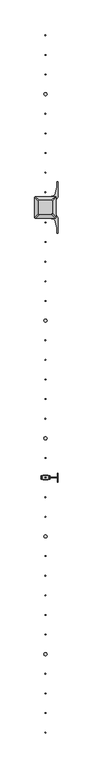
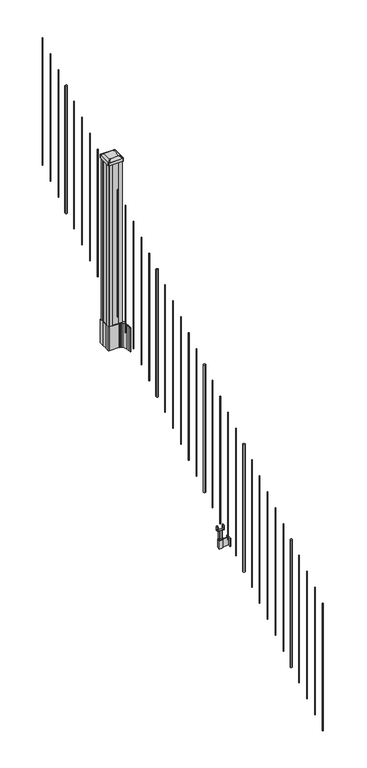
"""IFC4 building model written with IfcOpenShell, lengths in millimetres: railing geometry."""

from ifc_helpers import new_model, si_unit, point, frame, frame_2d, origin, place, context, project, spatial, polyline, circle_curve, trimmed, segment, composite_curve, outline, extrude, source, transform, mapped, element, save
from ifc_brep_helpers import plane_surface, extruded_surface, advanced_brep


def railing_b04e651e(model_context):
    return source(origin(), model_context, "Body", "SolidModel", [
        extrude(outline(composite_curve([segment(trimmed(circle_curve(frame_2d((7312.0657728, -84378.7128453)), 1.5875), [point((7310.4782728, -84378.7128453))], [point((7312.0657728, -84377.1253453))], False, "CARTESIAN"), True, "CONTINUOUS"), segment(trimmed(circle_curve(frame_2d((7312.0657728, -84378.7128453)), 1.5875), [point((7312.0657728, -84377.1253453))], [point((7313.6532728, -84378.7128453))], False, "CARTESIAN"), True, "CONTINUOUS"), segment(trimmed(circle_curve(frame_2d((7312.0657728, -84378.7128453)), 1.5875), [point((7313.6532728, -84378.7128453))], [point((7312.0657728, -84380.3003453))], False, "CARTESIAN"), True, "CONTINUOUS"), segment(trimmed(circle_curve(frame_2d((7312.0657728, -84378.7128453)), 1.5875), [point((7312.0657728, -84380.3003453))], [point((7310.4782728, -84378.7128453))], False, "CARTESIAN"), True, "CONTINUOUS")], self_intersect=False)), frame((0.0, 0.0, 2216.9396281), z_axis=(0.0, 0.0, 1.0), x_axis=(1.0, 0.0, 0.0)), (0.0, 0.0, 1.0), 812.8041219),
        extrude(outline(composite_curve([segment(trimmed(circle_curve(frame_2d((7312.0657728, -84461.2628453)), 1.5875), [point((7310.4782728, -84461.2628453))], [point((7312.0657728, -84459.6753453))], False, "CARTESIAN"), True, "CONTINUOUS"), segment(trimmed(circle_curve(frame_2d((7312.0657728, -84461.2628453)), 1.5875), [point((7312.0657728, -84459.6753453))], [point((7313.6532728, -84461.2628453))], False, "CARTESIAN"), True, "CONTINUOUS"), segment(trimmed(circle_curve(frame_2d((7312.0657728, -84461.2628453)), 1.5875), [point((7313.6532728, -84461.2628453))], [point((7312.0657728, -84462.8503453))], False, "CARTESIAN"), True, "CONTINUOUS"), segment(trimmed(circle_curve(frame_2d((7312.0657728, -84461.2628453)), 1.5875), [point((7312.0657728, -84462.8503453))], [point((7310.4782728, -84461.2628453))], False, "CARTESIAN"), True, "CONTINUOUS")], self_intersect=False)), frame((0.0, 0.0, 2165.3458781), z_axis=(0.0, 0.0, 1.0), x_axis=(1.0, 0.0, 0.0)), (0.0, 0.0, 1.0), 812.8041219),
        extrude(outline(composite_curve([segment(trimmed(circle_curve(frame_2d((7312.0657728, -84543.8128453)), 1.5875), [point((7310.4782728, -84543.8128453))], [point((7312.0657728, -84542.2253453))], False, "CARTESIAN"), True, "CONTINUOUS"), segment(trimmed(circle_curve(frame_2d((7312.0657728, -84543.8128453)), 1.5875), [point((7312.0657728, -84542.2253453))], [point((7313.6532728, -84543.8128453))], False, "CARTESIAN"), True, "CONTINUOUS"), segment(trimmed(circle_curve(frame_2d((7312.0657728, -84543.8128453)), 1.5875), [point((7313.6532728, -84543.8128453))], [point((7312.0657728, -84545.4003453))], False, "CARTESIAN"), True, "CONTINUOUS"), segment(trimmed(circle_curve(frame_2d((7312.0657728, -84543.8128453)), 1.5875), [point((7312.0657728, -84545.4003453))], [point((7310.4782728, -84543.8128453))], False, "CARTESIAN"), True, "CONTINUOUS")], self_intersect=False)), frame((0.0, 0.0, 2113.7521281), z_axis=(0.0, 0.0, 1.0), x_axis=(1.0, 0.0, 0.0)), (0.0, 0.0, 1.0), 812.8041219),
        extrude(outline(composite_curve([segment(trimmed(circle_curve(frame_2d((7312.0657728, -84626.3628453)), 6.35), [point((7305.7157728, -84626.3628453))], [point((7312.0657728, -84620.0128453))], False, "CARTESIAN"), True, "CONTINUOUS"), segment(trimmed(circle_curve(frame_2d((7312.0657728, -84626.3628453)), 6.35), [point((7312.0657728, -84620.0128453))], [point((7318.4157728, -84626.3628453))], False, "CARTESIAN"), True, "CONTINUOUS"), segment(trimmed(circle_curve(frame_2d((7312.0657728, -84626.3628453)), 6.35), [point((7318.4157728, -84626.3628453))], [point((7312.0657728, -84632.7128453))], False, "CARTESIAN"), True, "CONTINUOUS"), segment(trimmed(circle_curve(frame_2d((7312.0657728, -84626.3628453)), 6.35), [point((7312.0657728, -84632.7128453))], [point((7305.7157728, -84626.3628453))], False, "CARTESIAN"), True, "CONTINUOUS")], self_intersect=False)), frame((0.0, 0.0, 2062.1583781), z_axis=(0.0, 0.0, 1.0), x_axis=(1.0, 0.0, 0.0)), (0.0, 0.0, 1.0), 812.8041219),
        extrude(outline(composite_curve([segment(trimmed(circle_curve(frame_2d((7312.0657728, -84708.9128453)), 1.5875), [point((7310.4782728, -84708.9128453))], [point((7312.0657728, -84707.3253453))], False, "CARTESIAN"), True, "CONTINUOUS"), segment(trimmed(circle_curve(frame_2d((7312.0657728, -84708.9128453)), 1.5875), [point((7312.0657728, -84707.3253453))], [point((7313.6532728, -84708.9128453))], False, "CARTESIAN"), True, "CONTINUOUS"), segment(trimmed(circle_curve(frame_2d((7312.0657728, -84708.9128453)), 1.5875), [point((7313.6532728, -84708.9128453))], [point((7312.0657728, -84710.5003453))], False, "CARTESIAN"), True, "CONTINUOUS"), segment(trimmed(circle_curve(frame_2d((7312.0657728, -84708.9128453)), 1.5875), [point((7312.0657728, -84710.5003453))], [point((7310.4782728, -84708.9128453))], False, "CARTESIAN"), True, "CONTINUOUS")], self_intersect=False)), frame((0.0, 0.0, 2010.5646281), z_axis=(0.0, 0.0, 1.0), x_axis=(1.0, 0.0, 0.0)), (0.0, 0.0, 1.0), 812.8041219),
        extrude(outline(composite_curve([segment(trimmed(circle_curve(frame_2d((7312.0657728, -84791.4628453)), 1.5875), [point((7310.4782728, -84791.4628453))], [point((7312.0657728, -84789.8753453))], False, "CARTESIAN"), True, "CONTINUOUS"), segment(trimmed(circle_curve(frame_2d((7312.0657728, -84791.4628453)), 1.5875), [point((7312.0657728, -84789.8753453))], [point((7313.6532728, -84791.4628453))], False, "CARTESIAN"), True, "CONTINUOUS"), segment(trimmed(circle_curve(frame_2d((7312.0657728, -84791.4628453)), 1.5875), [point((7313.6532728, -84791.4628453))], [point((7312.0657728, -84793.0503453))], False, "CARTESIAN"), True, "CONTINUOUS"), segment(trimmed(circle_curve(frame_2d((7312.0657728, -84791.4628453)), 1.5875), [point((7312.0657728, -84793.0503453))], [point((7310.4782728, -84791.4628453))], False, "CARTESIAN"), True, "CONTINUOUS")], self_intersect=False)), frame((0.0, 0.0, 1958.9708781), z_axis=(0.0, 0.0, 1.0), x_axis=(1.0, 0.0, 0.0)), (0.0, 0.0, 1.0), 812.8041219),
        extrude(outline(composite_curve([segment(trimmed(circle_curve(frame_2d((7312.0657728, -84874.0128453)), 1.5875), [point((7310.4782728, -84874.0128453))], [point((7312.0657728, -84872.4253453))], False, "CARTESIAN"), True, "CONTINUOUS"), segment(trimmed(circle_curve(frame_2d((7312.0657728, -84874.0128453)), 1.5875), [point((7312.0657728, -84872.4253453))], [point((7313.6532728, -84874.0128453))], False, "CARTESIAN"), True, "CONTINUOUS"), segment(trimmed(circle_curve(frame_2d((7312.0657728, -84874.0128453)), 1.5875), [point((7313.6532728, -84874.0128453))], [point((7312.0657728, -84875.6003453))], False, "CARTESIAN"), True, "CONTINUOUS"), segment(trimmed(circle_curve(frame_2d((7312.0657728, -84874.0128453)), 1.5875), [point((7312.0657728, -84875.6003453))], [point((7310.4782728, -84874.0128453))], False, "CARTESIAN"), True, "CONTINUOUS")], self_intersect=False)), frame((0.0, 0.0, 1907.3771281), z_axis=(0.0, 0.0, 1.0), x_axis=(1.0, 0.0, 0.0)), (0.0, 0.0, 1.0), 812.8041219),
        extrude(outline(composite_curve([segment(trimmed(circle_curve(frame_2d((7312.0657728, -84956.5628453)), 1.5875), [point((7310.4782728, -84956.5628453))], [point((7312.0657728, -84954.9753453))], False, "CARTESIAN"), True, "CONTINUOUS"), segment(trimmed(circle_curve(frame_2d((7312.0657728, -84956.5628453)), 1.5875), [point((7312.0657728, -84954.9753453))], [point((7313.6532728, -84956.5628453))], False, "CARTESIAN"), True, "CONTINUOUS"), segment(trimmed(circle_curve(frame_2d((7312.0657728, -84956.5628453)), 1.5875), [point((7313.6532728, -84956.5628453))], [point((7312.0657728, -84958.1503453))], False, "CARTESIAN"), True, "CONTINUOUS"), segment(trimmed(circle_curve(frame_2d((7312.0657728, -84956.5628453)), 1.5875), [point((7312.0657728, -84958.1503453))], [point((7310.4782728, -84956.5628453))], False, "CARTESIAN"), True, "CONTINUOUS")], self_intersect=False)), frame((0.0, 0.0, 1855.7833781), z_axis=(0.0, 0.0, 1.0), x_axis=(1.0, 0.0, 0.0)), (0.0, 0.0, 1.0), 812.8041219),
        extrude(outline(composite_curve([segment(trimmed(circle_curve(frame_2d((7312.0657728, -85039.1128453)), 1.5875), [point((7310.4782728, -85039.1128453))], [point((7312.0657728, -85037.5253453))], False, "CARTESIAN"), True, "CONTINUOUS"), segment(trimmed(circle_curve(frame_2d((7312.0657728, -85039.1128453)), 1.5875), [point((7312.0657728, -85037.5253453))], [point((7313.6532728, -85039.1128453))], False, "CARTESIAN"), True, "CONTINUOUS"), segment(trimmed(circle_curve(frame_2d((7312.0657728, -85039.1128453)), 1.5875), [point((7313.6532728, -85039.1128453))], [point((7312.0657728, -85040.7003453))], False, "CARTESIAN"), True, "CONTINUOUS"), segment(trimmed(circle_curve(frame_2d((7312.0657728, -85039.1128453)), 1.5875), [point((7312.0657728, -85040.7003453))], [point((7310.4782728, -85039.1128453))], False, "CARTESIAN"), True, "CONTINUOUS")], self_intersect=False)), frame((0.0, 0.0, 1804.1896281), z_axis=(0.0, 0.0, 1.0), x_axis=(1.0, 0.0, 0.0)), (0.0, 0.0, 1.0), 812.8041219),
        extrude(outline(composite_curve([segment(polyline([(7269.3302728, -85119.9989401), (7269.3302728, -85085.2267504), (7267.7427728, -85084.4647504), (7267.7427728, -85061.6628224), (7271.1157498, -85058.2898453), (7332.5754206, -85058.2898453), (7332.5754206, -85057.3690953), (7337.8929645, -85057.3690953), (7337.8929645, -85055.9148406), (7342.9774942, -85055.9148406), (7342.9774942, -85054.6308168), (7344.6447665, -85054.6308168)]), True, "CONTINUOUS"), segment(trimmed(circle_curve(frame_2d((7344.6447665, -85047.5713569)), 7.0594599), [point((7344.6447665, -85054.6308168))], [point((7351.4120293, -85049.5813636))], True, "CARTESIAN"), True, "CONTINUOUS"), segment(polyline([(7351.4120293, -85049.5813636), (7359.2862236, -85023.0706345)]), True, "CONTINUOUS"), segment(trimmed(circle_curve(frame_2d((7304.5017103, -85006.7985848)), 57.15), [point((7359.2862236, -85023.0706345))], [point((7361.6517103, -85006.7985848))], True, "CARTESIAN"), True, "CONTINUOUS"), segment(polyline([(7361.6517103, -85006.7985848), (7361.6517103, -84994.7898453), (7364.6517103, -84994.7898453), (7364.6517103, -85059.8773453), (7356.3887728, -85071.2156366), (7356.3887728, -85084.4647504), (7354.8012728, -85085.2267504), (7354.8012728, -85119.9989401), (7356.3887728, -85120.7609401), (7356.3887728, -85134.010054), (7364.6517103, -85145.3483453), (7364.6517103, -85210.4358453), (7361.6517103, -85210.4358453), (7361.6517103, -85198.4271057)]), True, "CONTINUOUS"), segment(trimmed(circle_curve(frame_2d((7304.5017103, -85198.4271057)), 57.15), [point((7361.6517103, -85198.4271057))], [point((7359.2862236, -85182.1550561))], True, "CARTESIAN"), True, "CONTINUOUS"), segment(polyline([(7359.2862236, -85182.1550561), (7351.4120293, -85155.644327)]), True, "CONTINUOUS"), segment(trimmed(circle_curve(frame_2d((7344.6447665, -85157.6543337)), 7.0594599), [point((7351.4120293, -85155.644327))], [point((7344.6447665, -85150.5948738))], True, "CARTESIAN"), True, "CONTINUOUS"), segment(polyline([(7344.6447665, -85150.5948738), (7342.9774942, -85150.5948738), (7342.9774942, -85149.31085), (7337.8929645, -85149.31085), (7337.8929645, -85147.8565953), (7332.5754206, -85147.8565953), (7332.5754206, -85146.9358453), (7271.1157498, -85146.9358453), (7267.7427728, -85143.5628682), (7267.7427728, -85120.7609401), (7269.3302728, -85119.9989401)]), True, "CONTINUOUS")], self_intersect=False), holes=[polyline([(7353.3407728, -85062.9253453), (7351.7532728, -85061.3378453), (7314.8289902, -85061.3378453), (7272.3782728, -85061.3378453), (7270.7907728, -85062.9253453), (7270.7907728, -85142.3003453), (7272.3782728, -85143.8878453), (7314.8289902, -85143.8878453), (7351.7532728, -85143.8878453), (7353.3407728, -85142.3003453), (7353.3407728, -85062.9253453)])]), frame((0.0, 0.0, 1510.50625), z_axis=(0.0, 0.0, 1.0), x_axis=(1.0, 0.0, 0.0)), (0.0, 0.0, 1.0), 152.4),
        advanced_brep(
        [(7337.8626478, -85131.5847203, 2722.845513), (7341.0376478, -85128.4097203, 2722.845513), (7341.0376478, -85076.8159703, 2722.845513), (7337.8626478, -85073.6409703, 2722.845513), (7286.2688978, -85073.6409703, 2722.845513), (7283.0938978, -85076.8159703, 2722.845513), (7283.0938978, -85128.4097203, 2722.845513), (7286.2688978, -85131.5847203, 2722.845513), (7354.1345228, -85147.8565953, 2711.542513), (7269.9970228, -85147.8565953, 2711.542513), (7266.8220228, -85144.6815953, 2711.542513), (7266.8220228, -85060.5440953, 2711.542513), (7269.9970228, -85057.3690953, 2711.542513), (7354.1345228, -85057.3690953, 2711.542513), (7357.3095228, -85060.5440953, 2711.542513), (7357.3095228, -85144.6815953, 2711.542513)],
        [
            (0, 1, circle_curve(frame((7337.8626478, -85128.4097203, 2722.845513), z_axis=(0.0, 0.0, 1.0), x_axis=(0.0, 1.0, 0.0)), 3.175)),
            (1, 2),
            (2, 3, circle_curve(frame((7337.8626478, -85076.8159703, 2722.845513), z_axis=(0.0, 0.0, 1.0), x_axis=(0.0, 1.0, 0.0)), 3.175)),
            (3, 4),
            (4, 5, circle_curve(frame((7286.2688978, -85076.8159703, 2722.845513), z_axis=(0.0, 0.0, 1.0), x_axis=(0.0, 1.0, 0.0)), 3.175)),
            (5, 6),
            (6, 7, circle_curve(frame((7286.2688978, -85128.4097203, 2722.845513), z_axis=(0.0, 0.0, 1.0), x_axis=(0.0, 1.0, 0.0)), 3.175)),
            (7, 0),
            (8, 9),
            (9, 10, circle_curve(frame((7269.9970228, -85144.6815953, 2711.542513), z_axis=(0.0, 0.0, -1.0), x_axis=(0.0, 1.0, 0.0)), 3.175)),
            (10, 11),
            (11, 12, circle_curve(frame((7269.9970228, -85060.5440953, 2711.542513), z_axis=(0.0, 0.0, -1.0), x_axis=(0.0, 1.0, 0.0)), 3.175)),
            (12, 13),
            (13, 14, circle_curve(frame((7354.1345228, -85060.5440953, 2711.542513), z_axis=(0.0, 0.0, -1.0), x_axis=(0.0, 1.0, 0.0)), 3.175)),
            (14, 15),
            (15, 8, circle_curve(frame((7354.1345228, -85144.6815953, 2711.542513), z_axis=(0.0, 0.0, -1.0), x_axis=(0.0, 1.0, 0.0)), 3.175)),
            (15, 1),
            (0, 8),
            (14, 2),
            (13, 3),
            (12, 4),
            (11, 5),
            (10, 6),
            (9, 7),
        ],
        [
            plane_surface(frame((7312.0657728, -85102.6128453, 2722.845513), z_axis=(0.0, 0.0, 1.0), x_axis=(1.0, 0.0, 0.0))),
            plane_surface(frame((7312.0657728, -85102.6128453, 2711.542513), z_axis=(0.0, 0.0, -1.0), x_axis=(1.0, 0.0, 0.0))),
            extruded_surface(trimmed(circle_curve(frame((7354.1345228, -85144.6815953, 2711.542513), z_axis=(0.0, 0.0, 1.0), x_axis=(0.0, 1.0, 0.0)), 3.175), [point((7354.1345228, -85147.8565953, 2711.542513))], [point((7357.3095228, -85144.6815953, 2711.542513))], True, "CARTESIAN"), (-16.271875000000364, 16.27187500000582, 11.303000000000338), 25.637972638870238),
            plane_surface(frame((7357.3095228, -85102.6128453, 2711.542513), z_axis=(0.5705009161540778, 0.0, 0.8212969649690408), x_axis=(0.0, 1.0, 0.0))),
            extruded_surface(trimmed(circle_curve(frame((7354.1345228, -85060.5440953, 2711.542513), z_axis=(0.0, 0.0, 1.0), x_axis=(0.0, 1.0, 0.0)), 3.175), [point((7357.3095228, -85060.5440953, 2711.542513))], [point((7354.1345228, -85057.3690953, 2711.542513))], True, "CARTESIAN"), (-16.271875000000364, -16.27187499999127, 11.303000000000338), 25.637972638861),
            plane_surface(frame((7312.0657728, -85057.3690953, 2711.542513), z_axis=(0.0, 0.5705009161540291, 0.8212969649690747), x_axis=(-1.0, 0.0, 0.0))),
            extruded_surface(trimmed(circle_curve(frame((7269.9970228, -85060.5440953, 2711.542513), z_axis=(0.0, 0.0, 1.0), x_axis=(0.0, 1.0, 0.0)), 3.175), [point((7269.9970228, -85057.3690953, 2711.542513))], [point((7266.8220228, -85060.5440953, 2711.542513))], True, "CARTESIAN"), (16.271874999999454, -16.27187499999127, 11.303000000000338), 25.637972638860422),
            plane_surface(frame((7266.8220228, -85102.6128453, 2711.542513), z_axis=(-0.5705009161540142, 0.0, 0.8212969649690851), x_axis=(0.0, -1.0, 0.0))),
            extruded_surface(trimmed(circle_curve(frame((7269.9970228, -85144.6815953, 2711.542513), z_axis=(0.0, 0.0, 1.0), x_axis=(0.0, 1.0, 0.0)), 3.175), [point((7266.8220228, -85144.6815953, 2711.542513))], [point((7269.9970228, -85147.8565953, 2711.542513))], True, "CARTESIAN"), (16.271874999999454, 16.27187500000582, 11.303000000000338), 25.63797263886966),
            plane_surface(frame((7312.0657728, -85147.8565953, 2711.542513), z_axis=(0.0, -0.570500916154034, 0.8212969649690713), x_axis=(1.0, 0.0, 0.0))),
        ],
        [
            (0, [[1, 2, 3, 4, 5, 6, 7, 8]]),
            (1, [[9, 10, 11, 12, 13, 14, 15, 16]]),
            (2, [[-16, 17, -1, 18]]),
            (3, [[-15, 19, -2, -17]]),
            (4, [[-14, 20, -3, -19]]),
            (5, [[-13, 21, -4, -20]]),
            (6, [[-12, 22, -5, -21]]),
            (7, [[-11, 23, -6, -22]]),
            (8, [[-10, 24, -7, -23]]),
            (9, [[-9, -18, -8, -24]]),
        ],
    ),
        extrude(outline(composite_curve([segment(polyline([(7354.1345228, -85147.8565953), (7269.9970228, -85147.8565953)]), True, "CONTINUOUS"), segment(trimmed(circle_curve(frame_2d((7269.9970228, -85144.6815953)), 3.175), [point((7269.9970228, -85147.8565953))], [point((7266.8220228, -85144.6815953))], False, "CARTESIAN"), True, "CONTINUOUS"), segment(polyline([(7266.8220228, -85144.6815953), (7266.8220228, -85060.5440953)]), True, "CONTINUOUS"), segment(trimmed(circle_curve(frame_2d((7269.9970228, -85060.5440953)), 3.175), [point((7266.8220228, -85060.5440953))], [point((7269.9970228, -85057.3690953))], False, "CARTESIAN"), True, "CONTINUOUS"), segment(polyline([(7269.9970228, -85057.3690953), (7354.1345228, -85057.3690953)]), True, "CONTINUOUS"), segment(trimmed(circle_curve(frame_2d((7354.1345228, -85060.5440953)), 3.175), [point((7354.1345228, -85057.3690953))], [point((7357.3095228, -85060.5440953))], False, "CARTESIAN"), True, "CONTINUOUS"), segment(polyline([(7357.3095228, -85060.5440953), (7357.3095228, -85144.6815953)]), True, "CONTINUOUS"), segment(trimmed(circle_curve(frame_2d((7354.1345228, -85144.6815953)), 3.175), [point((7357.3095228, -85144.6815953))], [point((7354.1345228, -85147.8565953))], False, "CARTESIAN"), True, "CONTINUOUS")], self_intersect=False)), frame((0.0, 0.0, 2694.270513), z_axis=(0.0, 0.0, 1.0), x_axis=(1.0, 0.0, 0.0)), (0.0, 0.0, 1.0), 17.272),
        extrude(outline(polyline([(7351.7532728, -85143.8878453), (7332.1317728, -85143.8878453), (7331.3697728, -85142.3003453), (7292.7617728, -85142.3003453), (7291.9997728, -85143.8878453), (7272.3782728, -85143.8878453), (7270.7907728, -85142.3003453), (7270.7907728, -85122.6788453), (7272.3782728, -85121.9168453), (7272.3782728, -85083.3088453), (7270.7907728, -85082.5468453), (7270.7907728, -85062.9253453), (7272.3782728, -85061.3378453), (7291.9997728, -85061.3378453), (7292.7617728, -85062.9253453), (7331.3697728, -85062.9253453), (7332.1317728, -85061.3378453), (7351.7532728, -85061.3378453), (7353.3407728, -85062.9253453), (7353.3407728, -85082.5468453), (7351.7532728, -85083.3088453), (7351.7532728, -85121.9168453), (7353.3407728, -85122.6788453), (7353.3407728, -85142.3003453), (7351.7532728, -85143.8878453)])), frame((0.0, 0.0, 1662.90625), z_axis=(0.0, 0.0, 1.0), x_axis=(1.0, 0.0, 0.0)), (0.0, 0.0, 1.0), 1031.364263),
        extrude(outline(composite_curve([segment(trimmed(circle_curve(frame_2d((7312.0657728, -85166.1128453)), 1.5875), [point((7310.4782728, -85166.1128453))], [point((7312.0657728, -85164.5253453))], False, "CARTESIAN"), True, "CONTINUOUS"), segment(trimmed(circle_curve(frame_2d((7312.0657728, -85166.1128453)), 1.5875), [point((7312.0657728, -85164.5253453))], [point((7313.6532728, -85166.1128453))], False, "CARTESIAN"), True, "CONTINUOUS"), segment(trimmed(circle_curve(frame_2d((7312.0657728, -85166.1128453)), 1.5875), [point((7313.6532728, -85166.1128453))], [point((7312.0657728, -85167.7003453))], False, "CARTESIAN"), True, "CONTINUOUS"), segment(trimmed(circle_curve(frame_2d((7312.0657728, -85166.1128453)), 1.5875), [point((7312.0657728, -85167.7003453))], [point((7310.4782728, -85166.1128453))], False, "CARTESIAN"), True, "CONTINUOUS")], self_intersect=False)), frame((0.0, 0.0, 1724.8146281), z_axis=(0.0, 0.0, 1.0), x_axis=(1.0, 0.0, 0.0)), (0.0, 0.0, 1.0), 812.8041219),
        extrude(outline(composite_curve([segment(trimmed(circle_curve(frame_2d((7312.0657728, -85248.6628453)), 1.5875), [point((7310.4782728, -85248.6628453))], [point((7312.0657728, -85247.0753453))], False, "CARTESIAN"), True, "CONTINUOUS"), segment(trimmed(circle_curve(frame_2d((7312.0657728, -85248.6628453)), 1.5875), [point((7312.0657728, -85247.0753453))], [point((7313.6532728, -85248.6628453))], False, "CARTESIAN"), True, "CONTINUOUS"), segment(trimmed(circle_curve(frame_2d((7312.0657728, -85248.6628453)), 1.5875), [point((7313.6532728, -85248.6628453))], [point((7312.0657728, -85250.2503453))], False, "CARTESIAN"), True, "CONTINUOUS"), segment(trimmed(circle_curve(frame_2d((7312.0657728, -85248.6628453)), 1.5875), [point((7312.0657728, -85250.2503453))], [point((7310.4782728, -85248.6628453))], False, "CARTESIAN"), True, "CONTINUOUS")], self_intersect=False)), frame((0.0, 0.0, 1673.2208781), z_axis=(0.0, 0.0, 1.0), x_axis=(1.0, 0.0, 0.0)), (0.0, 0.0, 1.0), 812.8041219),
        extrude(outline(composite_curve([segment(trimmed(circle_curve(frame_2d((7312.0657728, -85331.2128453)), 1.5875), [point((7310.4782728, -85331.2128453))], [point((7312.0657728, -85329.6253453))], False, "CARTESIAN"), True, "CONTINUOUS"), segment(trimmed(circle_curve(frame_2d((7312.0657728, -85331.2128453)), 1.5875), [point((7312.0657728, -85329.6253453))], [point((7313.6532728, -85331.2128453))], False, "CARTESIAN"), True, "CONTINUOUS"), segment(trimmed(circle_curve(frame_2d((7312.0657728, -85331.2128453)), 1.5875), [point((7313.6532728, -85331.2128453))], [point((7312.0657728, -85332.8003453))], False, "CARTESIAN"), True, "CONTINUOUS"), segment(trimmed(circle_curve(frame_2d((7312.0657728, -85331.2128453)), 1.5875), [point((7312.0657728, -85332.8003453))], [point((7310.4782728, -85331.2128453))], False, "CARTESIAN"), True, "CONTINUOUS")], self_intersect=False)), frame((0.0, 0.0, 1621.6271281), z_axis=(0.0, 0.0, 1.0), x_axis=(1.0, 0.0, 0.0)), (0.0, 0.0, 1.0), 812.8041219),
        extrude(outline(composite_curve([segment(trimmed(circle_curve(frame_2d((7312.0657728, -85413.7628453)), 1.5875), [point((7310.4782728, -85413.7628453))], [point((7312.0657728, -85412.1753453))], False, "CARTESIAN"), True, "CONTINUOUS"), segment(trimmed(circle_curve(frame_2d((7312.0657728, -85413.7628453)), 1.5875), [point((7312.0657728, -85412.1753453))], [point((7313.6532728, -85413.7628453))], False, "CARTESIAN"), True, "CONTINUOUS"), segment(trimmed(circle_curve(frame_2d((7312.0657728, -85413.7628453)), 1.5875), [point((7313.6532728, -85413.7628453))], [point((7312.0657728, -85415.3503453))], False, "CARTESIAN"), True, "CONTINUOUS"), segment(trimmed(circle_curve(frame_2d((7312.0657728, -85413.7628453)), 1.5875), [point((7312.0657728, -85415.3503453))], [point((7310.4782728, -85413.7628453))], False, "CARTESIAN"), True, "CONTINUOUS")], self_intersect=False)), frame((0.0, 0.0, 1570.0333781), z_axis=(0.0, 0.0, 1.0), x_axis=(1.0, 0.0, 0.0)), (0.0, 0.0, 1.0), 812.8041219),
        extrude(outline(composite_curve([segment(trimmed(circle_curve(frame_2d((7312.0657728, -85496.3128453)), 1.5875), [point((7310.4782728, -85496.3128453))], [point((7312.0657728, -85494.7253453))], False, "CARTESIAN"), True, "CONTINUOUS"), segment(trimmed(circle_curve(frame_2d((7312.0657728, -85496.3128453)), 1.5875), [point((7312.0657728, -85494.7253453))], [point((7313.6532728, -85496.3128453))], False, "CARTESIAN"), True, "CONTINUOUS"), segment(trimmed(circle_curve(frame_2d((7312.0657728, -85496.3128453)), 1.5875), [point((7313.6532728, -85496.3128453))], [point((7312.0657728, -85497.9003453))], False, "CARTESIAN"), True, "CONTINUOUS"), segment(trimmed(circle_curve(frame_2d((7312.0657728, -85496.3128453)), 1.5875), [point((7312.0657728, -85497.9003453))], [point((7310.4782728, -85496.3128453))], False, "CARTESIAN"), True, "CONTINUOUS")], self_intersect=False)), frame((0.0, 0.0, 1518.4396281), z_axis=(0.0, 0.0, 1.0), x_axis=(1.0, 0.0, 0.0)), (0.0, 0.0, 1.0), 812.8041219),
        extrude(outline(composite_curve([segment(trimmed(circle_curve(frame_2d((7312.0657728, -85578.8628453)), 6.35), [point((7305.7157728, -85578.8628453))], [point((7312.0657728, -85572.5128453))], False, "CARTESIAN"), True, "CONTINUOUS"), segment(trimmed(circle_curve(frame_2d((7312.0657728, -85578.8628453)), 6.35), [point((7312.0657728, -85572.5128453))], [point((7318.4157728, -85578.8628453))], False, "CARTESIAN"), True, "CONTINUOUS"), segment(trimmed(circle_curve(frame_2d((7312.0657728, -85578.8628453)), 6.35), [point((7318.4157728, -85578.8628453))], [point((7312.0657728, -85585.2128453))], False, "CARTESIAN"), True, "CONTINUOUS"), segment(trimmed(circle_curve(frame_2d((7312.0657728, -85578.8628453)), 6.35), [point((7312.0657728, -85585.2128453))], [point((7305.7157728, -85578.8628453))], False, "CARTESIAN"), True, "CONTINUOUS")], self_intersect=False)), frame((0.0, 0.0, 1466.8458781), z_axis=(0.0, 0.0, 1.0), x_axis=(1.0, 0.0, 0.0)), (0.0, 0.0, 1.0), 812.8041219),
        extrude(outline(composite_curve([segment(trimmed(circle_curve(frame_2d((7312.0657728, -85661.4128453)), 1.5875), [point((7310.4782728, -85661.4128453))], [point((7312.0657728, -85659.8253453))], False, "CARTESIAN"), True, "CONTINUOUS"), segment(trimmed(circle_curve(frame_2d((7312.0657728, -85661.4128453)), 1.5875), [point((7312.0657728, -85659.8253453))], [point((7313.6532728, -85661.4128453))], False, "CARTESIAN"), True, "CONTINUOUS"), segment(trimmed(circle_curve(frame_2d((7312.0657728, -85661.4128453)), 1.5875), [point((7313.6532728, -85661.4128453))], [point((7312.0657728, -85663.0003453))], False, "CARTESIAN"), True, "CONTINUOUS"), segment(trimmed(circle_curve(frame_2d((7312.0657728, -85661.4128453)), 1.5875), [point((7312.0657728, -85663.0003453))], [point((7310.4782728, -85661.4128453))], False, "CARTESIAN"), True, "CONTINUOUS")], self_intersect=False)), frame((0.0, 0.0, 1415.2521281), z_axis=(0.0, 0.0, 1.0), x_axis=(1.0, 0.0, 0.0)), (0.0, 0.0, 1.0), 812.8041219),
        extrude(outline(composite_curve([segment(trimmed(circle_curve(frame_2d((7312.0657728, -85743.9628453)), 1.5875), [point((7310.4782728, -85743.9628453))], [point((7312.0657728, -85742.3753453))], False, "CARTESIAN"), True, "CONTINUOUS"), segment(trimmed(circle_curve(frame_2d((7312.0657728, -85743.9628453)), 1.5875), [point((7312.0657728, -85742.3753453))], [point((7313.6532728, -85743.9628453))], False, "CARTESIAN"), True, "CONTINUOUS"), segment(trimmed(circle_curve(frame_2d((7312.0657728, -85743.9628453)), 1.5875), [point((7313.6532728, -85743.9628453))], [point((7312.0657728, -85745.5503453))], False, "CARTESIAN"), True, "CONTINUOUS"), segment(trimmed(circle_curve(frame_2d((7312.0657728, -85743.9628453)), 1.5875), [point((7312.0657728, -85745.5503453))], [point((7310.4782728, -85743.9628453))], False, "CARTESIAN"), True, "CONTINUOUS")], self_intersect=False)), frame((0.0, 0.0, 1363.6583781), z_axis=(0.0, 0.0, 1.0), x_axis=(1.0, 0.0, 0.0)), (0.0, 0.0, 1.0), 812.8041219),
        extrude(outline(composite_curve([segment(trimmed(circle_curve(frame_2d((7312.0657728, -85826.5128453)), 1.5875), [point((7310.4782728, -85826.5128453))], [point((7312.0657728, -85824.9253453))], False, "CARTESIAN"), True, "CONTINUOUS"), segment(trimmed(circle_curve(frame_2d((7312.0657728, -85826.5128453)), 1.5875), [point((7312.0657728, -85824.9253453))], [point((7313.6532728, -85826.5128453))], False, "CARTESIAN"), True, "CONTINUOUS"), segment(trimmed(circle_curve(frame_2d((7312.0657728, -85826.5128453)), 1.5875), [point((7313.6532728, -85826.5128453))], [point((7312.0657728, -85828.1003453))], False, "CARTESIAN"), True, "CONTINUOUS"), segment(trimmed(circle_curve(frame_2d((7312.0657728, -85826.5128453)), 1.5875), [point((7312.0657728, -85828.1003453))], [point((7310.4782728, -85826.5128453))], False, "CARTESIAN"), True, "CONTINUOUS")], self_intersect=False)), frame((0.0, 0.0, 1312.0646281), z_axis=(0.0, 0.0, 1.0), x_axis=(1.0, 0.0, 0.0)), (0.0, 0.0, 1.0), 812.8041219),
        extrude(outline(composite_curve([segment(trimmed(circle_curve(frame_2d((7312.0657728, -85909.0628453)), 1.5875), [point((7310.4782728, -85909.0628453))], [point((7312.0657728, -85907.4753453))], False, "CARTESIAN"), True, "CONTINUOUS"), segment(trimmed(circle_curve(frame_2d((7312.0657728, -85909.0628453)), 1.5875), [point((7312.0657728, -85907.4753453))], [point((7313.6532728, -85909.0628453))], False, "CARTESIAN"), True, "CONTINUOUS"), segment(trimmed(circle_curve(frame_2d((7312.0657728, -85909.0628453)), 1.5875), [point((7313.6532728, -85909.0628453))], [point((7312.0657728, -85910.6503453))], False, "CARTESIAN"), True, "CONTINUOUS"), segment(trimmed(circle_curve(frame_2d((7312.0657728, -85909.0628453)), 1.5875), [point((7312.0657728, -85910.6503453))], [point((7310.4782728, -85909.0628453))], False, "CARTESIAN"), True, "CONTINUOUS")], self_intersect=False)), frame((0.0, 0.0, 1260.4708781), z_axis=(0.0, 0.0, 1.0), x_axis=(1.0, 0.0, 0.0)), (0.0, 0.0, 1.0), 812.8041219),
        extrude(outline(composite_curve([segment(trimmed(circle_curve(frame_2d((7312.0657728, -85991.6128453)), 1.5875), [point((7310.4782728, -85991.6128453))], [point((7312.0657728, -85990.0253453))], False, "CARTESIAN"), True, "CONTINUOUS"), segment(trimmed(circle_curve(frame_2d((7312.0657728, -85991.6128453)), 1.5875), [point((7312.0657728, -85990.0253453))], [point((7313.6532728, -85991.6128453))], False, "CARTESIAN"), True, "CONTINUOUS"), segment(trimmed(circle_curve(frame_2d((7312.0657728, -85991.6128453)), 1.5875), [point((7313.6532728, -85991.6128453))], [point((7312.0657728, -85993.2003453))], False, "CARTESIAN"), True, "CONTINUOUS"), segment(trimmed(circle_curve(frame_2d((7312.0657728, -85991.6128453)), 1.5875), [point((7312.0657728, -85993.2003453))], [point((7310.4782728, -85991.6128453))], False, "CARTESIAN"), True, "CONTINUOUS")], self_intersect=False)), frame((0.0, 0.0, 1208.8771281), z_axis=(0.0, 0.0, 1.0), x_axis=(1.0, 0.0, 0.0)), (0.0, 0.0, 1.0), 812.8041219),
        extrude(outline(composite_curve([segment(trimmed(circle_curve(frame_2d((7312.0657728, -86074.1628453)), 6.35), [point((7305.7157728, -86074.1628453))], [point((7312.0657728, -86067.8128453))], False, "CARTESIAN"), True, "CONTINUOUS"), segment(trimmed(circle_curve(frame_2d((7312.0657728, -86074.1628453)), 6.35), [point((7312.0657728, -86067.8128453))], [point((7318.4157728, -86074.1628453))], False, "CARTESIAN"), True, "CONTINUOUS"), segment(trimmed(circle_curve(frame_2d((7312.0657728, -86074.1628453)), 6.35), [point((7318.4157728, -86074.1628453))], [point((7312.0657728, -86080.5128453))], False, "CARTESIAN"), True, "CONTINUOUS"), segment(trimmed(circle_curve(frame_2d((7312.0657728, -86074.1628453)), 6.35), [point((7312.0657728, -86080.5128453))], [point((7305.7157728, -86074.1628453))], False, "CARTESIAN"), True, "CONTINUOUS")], self_intersect=False)), frame((0.0, 0.0, 1157.2833781), z_axis=(0.0, 0.0, 1.0), x_axis=(1.0, 0.0, 0.0)), (0.0, 0.0, 1.0), 812.8041219),
        extrude(outline(composite_curve([segment(trimmed(circle_curve(frame_2d((7312.0657728, -86156.7128453)), 1.5875), [point((7310.4782728, -86156.7128453))], [point((7312.0657728, -86155.1253453))], False, "CARTESIAN"), True, "CONTINUOUS"), segment(trimmed(circle_curve(frame_2d((7312.0657728, -86156.7128453)), 1.5875), [point((7312.0657728, -86155.1253453))], [point((7313.6532728, -86156.7128453))], False, "CARTESIAN"), True, "CONTINUOUS"), segment(trimmed(circle_curve(frame_2d((7312.0657728, -86156.7128453)), 1.5875), [point((7313.6532728, -86156.7128453))], [point((7312.0657728, -86158.3003453))], False, "CARTESIAN"), True, "CONTINUOUS"), segment(trimmed(circle_curve(frame_2d((7312.0657728, -86156.7128453)), 1.5875), [point((7312.0657728, -86158.3003453))], [point((7310.4782728, -86156.7128453))], False, "CARTESIAN"), True, "CONTINUOUS")], self_intersect=False)), frame((0.0, 0.0, 1105.6896281), z_axis=(0.0, 0.0, 1.0), x_axis=(1.0, 0.0, 0.0)), (0.0, 0.0, 1.0), 812.8041219),
        extrude(outline(polyline([(7322.7337726, -86240.5328453), (7322.7337726, -86237.9928453), (7362.1037728, -86237.9928453), (7362.1037728, -86240.5328453), (7322.7337726, -86240.5328453)])), frame((0.0, 0.0, 901.7), z_axis=(0.0, 0.0, 1.0), x_axis=(1.0, 0.0, 0.0)), (0.0, 0.0, 1.0), 50.8),
        extrude(outline(polyline([(7362.1037728, -86258.3128453), (7362.1037728, -86220.2128453), (7364.6437728, -86220.2128453), (7364.6437728, -86258.3128453), (7362.1037728, -86258.3128453)])), frame((0.0, 0.0, 901.7), z_axis=(0.0, 0.0, 1.0), x_axis=(1.0, 0.0, 0.0)), (0.0, 0.0, 1.0), 50.8),
        extrude(outline(polyline([(7301.397772, -86249.1688453), (7301.397772, -86229.3568453), (7322.7337726, -86229.3568453), (7322.7337726, -86249.1688453), (7301.397772, -86249.1688453)]), holes=[polyline([(7304.6997721, -86246.6288453), (7319.4317725, -86246.6288453), (7319.4317725, -86231.8968453), (7304.6997721, -86231.8968453), (7304.6997721, -86246.6288453)])]), frame((0.0, 0.0, 901.7), z_axis=(0.0, 0.0, 1.0), x_axis=(1.0, 0.0, 0.0)), (0.0, 0.0, 1.0), 50.8),
        extrude(outline(polyline([(1041.2203979, 7330.2267716), (1041.2203979, 7328.194772), (1040.2043953, 7327.1787722), (1029.7686081, 7327.1787722), (1028.7526073, 7328.194772), (1016.762001, 7328.194772), (1016.0000019, 7327.4327729), (1016.0000019, 7296.6987717), (1016.762001, 7295.9367726), (1028.7526073, 7295.9367726), (1029.7686081, 7296.9527724), (1040.2043953, 7296.9527724), (1041.2203979, 7295.9367726), (1041.2203979, 7293.904773), (1040.4583969, 7293.142772), (1013.9680023, 7293.142772), (1013.2060013, 7293.904773), (1013.2060013, 7303.937772), (1012.4440012, 7304.6997721), (948.9440012, 7304.6997721), (948.9440012, 7319.4317725), (1012.4440012, 7319.4317725), (1013.2060013, 7320.1937726), (1013.2060013, 7330.2267716), (1013.9680023, 7330.9887726), (1040.4583969, 7330.9887726), (1041.2203979, 7330.2267716)]), holes=[polyline([(1013.2060013, 7308.6367724), (1013.2060013, 7315.4947722), (1012.4440012, 7316.2567723), (956.4370003, 7316.2567723), (955.6750031, 7315.4947751), (955.6750031, 7308.6367724), (956.4370031, 7307.8747723), (1012.4440012, 7307.8747723), (1013.2060013, 7308.6367724)])]), frame((0.0, -86246.6288453, 0.0), z_axis=(0.0, 1.0, 0.0), x_axis=(0.0, 0.0, 1.0)), (0.0, 0.0, 1.0), 14.732),
        extrude(outline(composite_curve([segment(trimmed(circle_curve(frame_2d((7312.0657728, -86239.2628453)), 1.5875), [point((7310.4782728, -86239.2628453))], [point((7312.0657728, -86237.6753453))], False, "CARTESIAN"), True, "CONTINUOUS"), segment(trimmed(circle_curve(frame_2d((7312.0657728, -86239.2628453)), 1.5875), [point((7312.0657728, -86237.6753453))], [point((7313.6532728, -86239.2628453))], False, "CARTESIAN"), True, "CONTINUOUS"), segment(trimmed(circle_curve(frame_2d((7312.0657728, -86239.2628453)), 1.5875), [point((7313.6532728, -86239.2628453))], [point((7312.0657728, -86240.8503453))], False, "CARTESIAN"), True, "CONTINUOUS"), segment(trimmed(circle_curve(frame_2d((7312.0657728, -86239.2628453)), 1.5875), [point((7312.0657728, -86240.8503453))], [point((7310.4782728, -86239.2628453))], False, "CARTESIAN"), True, "CONTINUOUS")], self_intersect=False)), frame((0.0, 0.0, 1054.0958781), z_axis=(0.0, 0.0, 1.0), x_axis=(1.0, 0.0, 0.0)), (0.0, 0.0, 1.0), 812.8041219),
        extrude(outline(composite_curve([segment(trimmed(circle_curve(frame_2d((7312.0657728, -86321.8128453)), 1.5875), [point((7310.4782728, -86321.8128453))], [point((7312.0657728, -86320.2253453))], False, "CARTESIAN"), True, "CONTINUOUS"), segment(trimmed(circle_curve(frame_2d((7312.0657728, -86321.8128453)), 1.5875), [point((7312.0657728, -86320.2253453))], [point((7313.6532728, -86321.8128453))], False, "CARTESIAN"), True, "CONTINUOUS"), segment(trimmed(circle_curve(frame_2d((7312.0657728, -86321.8128453)), 1.5875), [point((7313.6532728, -86321.8128453))], [point((7312.0657728, -86323.4003453))], False, "CARTESIAN"), True, "CONTINUOUS"), segment(trimmed(circle_curve(frame_2d((7312.0657728, -86321.8128453)), 1.5875), [point((7312.0657728, -86323.4003453))], [point((7310.4782728, -86321.8128453))], False, "CARTESIAN"), True, "CONTINUOUS")], self_intersect=False)), frame((0.0, 0.0, 1002.5021281), z_axis=(0.0, 0.0, 1.0), x_axis=(1.0, 0.0, 0.0)), (0.0, 0.0, 1.0), 812.8041219),
        extrude(outline(composite_curve([segment(trimmed(circle_curve(frame_2d((7312.0657728, -86404.3628453)), 1.5875), [point((7310.4782728, -86404.3628453))], [point((7312.0657728, -86402.7753453))], False, "CARTESIAN"), True, "CONTINUOUS"), segment(trimmed(circle_curve(frame_2d((7312.0657728, -86404.3628453)), 1.5875), [point((7312.0657728, -86402.7753453))], [point((7313.6532728, -86404.3628453))], False, "CARTESIAN"), True, "CONTINUOUS"), segment(trimmed(circle_curve(frame_2d((7312.0657728, -86404.3628453)), 1.5875), [point((7313.6532728, -86404.3628453))], [point((7312.0657728, -86405.9503453))], False, "CARTESIAN"), True, "CONTINUOUS"), segment(trimmed(circle_curve(frame_2d((7312.0657728, -86404.3628453)), 1.5875), [point((7312.0657728, -86405.9503453))], [point((7310.4782728, -86404.3628453))], False, "CARTESIAN"), True, "CONTINUOUS")], self_intersect=False)), frame((0.0, 0.0, 950.9083781), z_axis=(0.0, 0.0, 1.0), x_axis=(1.0, 0.0, 0.0)), (0.0, 0.0, 1.0), 812.8041219),
        extrude(outline(composite_curve([segment(trimmed(circle_curve(frame_2d((7312.0657728, -86486.9128453)), 6.35), [point((7305.7157728, -86486.9128453))], [point((7312.0657728, -86480.5628453))], False, "CARTESIAN"), True, "CONTINUOUS"), segment(trimmed(circle_curve(frame_2d((7312.0657728, -86486.9128453)), 6.35), [point((7312.0657728, -86480.5628453))], [point((7318.4157728, -86486.9128453))], False, "CARTESIAN"), True, "CONTINUOUS"), segment(trimmed(circle_curve(frame_2d((7312.0657728, -86486.9128453)), 6.35), [point((7318.4157728, -86486.9128453))], [point((7312.0657728, -86493.2628453))], False, "CARTESIAN"), True, "CONTINUOUS"), segment(trimmed(circle_curve(frame_2d((7312.0657728, -86486.9128453)), 6.35), [point((7312.0657728, -86493.2628453))], [point((7305.7157728, -86486.9128453))], False, "CARTESIAN"), True, "CONTINUOUS")], self_intersect=False)), frame((0.0, 0.0, 899.3146281), z_axis=(0.0, 0.0, 1.0), x_axis=(1.0, 0.0, 0.0)), (0.0, 0.0, 1.0), 812.8041219),
        extrude(outline(composite_curve([segment(trimmed(circle_curve(frame_2d((7312.0657728, -86569.4628453)), 1.5875), [point((7310.4782728, -86569.4628453))], [point((7312.0657728, -86567.8753453))], False, "CARTESIAN"), True, "CONTINUOUS"), segment(trimmed(circle_curve(frame_2d((7312.0657728, -86569.4628453)), 1.5875), [point((7312.0657728, -86567.8753453))], [point((7313.6532728, -86569.4628453))], False, "CARTESIAN"), True, "CONTINUOUS"), segment(trimmed(circle_curve(frame_2d((7312.0657728, -86569.4628453)), 1.5875), [point((7313.6532728, -86569.4628453))], [point((7312.0657728, -86571.0503453))], False, "CARTESIAN"), True, "CONTINUOUS"), segment(trimmed(circle_curve(frame_2d((7312.0657728, -86569.4628453)), 1.5875), [point((7312.0657728, -86571.0503453))], [point((7310.4782728, -86569.4628453))], False, "CARTESIAN"), True, "CONTINUOUS")], self_intersect=False)), frame((0.0, 0.0, 847.7208781), z_axis=(0.0, 0.0, 1.0), x_axis=(1.0, 0.0, 0.0)), (0.0, 0.0, 1.0), 812.8041219),
        extrude(outline(composite_curve([segment(trimmed(circle_curve(frame_2d((7312.0657728, -86652.0128453)), 1.5875), [point((7310.4782728, -86652.0128453))], [point((7312.0657728, -86650.4253453))], False, "CARTESIAN"), True, "CONTINUOUS"), segment(trimmed(circle_curve(frame_2d((7312.0657728, -86652.0128453)), 1.5875), [point((7312.0657728, -86650.4253453))], [point((7313.6532728, -86652.0128453))], False, "CARTESIAN"), True, "CONTINUOUS"), segment(trimmed(circle_curve(frame_2d((7312.0657728, -86652.0128453)), 1.5875), [point((7313.6532728, -86652.0128453))], [point((7312.0657728, -86653.6003453))], False, "CARTESIAN"), True, "CONTINUOUS"), segment(trimmed(circle_curve(frame_2d((7312.0657728, -86652.0128453)), 1.5875), [point((7312.0657728, -86653.6003453))], [point((7310.4782728, -86652.0128453))], False, "CARTESIAN"), True, "CONTINUOUS")], self_intersect=False)), frame((0.0, 0.0, 796.1271281), z_axis=(0.0, 0.0, 1.0), x_axis=(1.0, 0.0, 0.0)), (0.0, 0.0, 1.0), 812.8041219),
        extrude(outline(composite_curve([segment(trimmed(circle_curve(frame_2d((7312.0657728, -86734.5628453)), 1.5875), [point((7310.4782728, -86734.5628453))], [point((7312.0657728, -86732.9753453))], False, "CARTESIAN"), True, "CONTINUOUS"), segment(trimmed(circle_curve(frame_2d((7312.0657728, -86734.5628453)), 1.5875), [point((7312.0657728, -86732.9753453))], [point((7313.6532728, -86734.5628453))], False, "CARTESIAN"), True, "CONTINUOUS"), segment(trimmed(circle_curve(frame_2d((7312.0657728, -86734.5628453)), 1.5875), [point((7313.6532728, -86734.5628453))], [point((7312.0657728, -86736.1503453))], False, "CARTESIAN"), True, "CONTINUOUS"), segment(trimmed(circle_curve(frame_2d((7312.0657728, -86734.5628453)), 1.5875), [point((7312.0657728, -86736.1503453))], [point((7310.4782728, -86734.5628453))], False, "CARTESIAN"), True, "CONTINUOUS")], self_intersect=False)), frame((0.0, 0.0, 744.5333781), z_axis=(0.0, 0.0, 1.0), x_axis=(1.0, 0.0, 0.0)), (0.0, 0.0, 1.0), 812.8041219),
        extrude(outline(composite_curve([segment(trimmed(circle_curve(frame_2d((7312.0657728, -86817.1128453)), 1.5875), [point((7310.4782728, -86817.1128453))], [point((7312.0657728, -86815.5253453))], False, "CARTESIAN"), True, "CONTINUOUS"), segment(trimmed(circle_curve(frame_2d((7312.0657728, -86817.1128453)), 1.5875), [point((7312.0657728, -86815.5253453))], [point((7313.6532728, -86817.1128453))], False, "CARTESIAN"), True, "CONTINUOUS"), segment(trimmed(circle_curve(frame_2d((7312.0657728, -86817.1128453)), 1.5875), [point((7313.6532728, -86817.1128453))], [point((7312.0657728, -86818.7003453))], False, "CARTESIAN"), True, "CONTINUOUS"), segment(trimmed(circle_curve(frame_2d((7312.0657728, -86817.1128453)), 1.5875), [point((7312.0657728, -86818.7003453))], [point((7310.4782728, -86817.1128453))], False, "CARTESIAN"), True, "CONTINUOUS")], self_intersect=False)), frame((0.0, 0.0, 692.9396281), z_axis=(0.0, 0.0, 1.0), x_axis=(1.0, 0.0, 0.0)), (0.0, 0.0, 1.0), 812.8041219),
        extrude(outline(composite_curve([segment(trimmed(circle_curve(frame_2d((7312.0657728, -86899.6628453)), 1.5875), [point((7310.4782728, -86899.6628453))], [point((7312.0657728, -86898.0753453))], False, "CARTESIAN"), True, "CONTINUOUS"), segment(trimmed(circle_curve(frame_2d((7312.0657728, -86899.6628453)), 1.5875), [point((7312.0657728, -86898.0753453))], [point((7313.6532728, -86899.6628453))], False, "CARTESIAN"), True, "CONTINUOUS"), segment(trimmed(circle_curve(frame_2d((7312.0657728, -86899.6628453)), 1.5875), [point((7313.6532728, -86899.6628453))], [point((7312.0657728, -86901.2503453))], False, "CARTESIAN"), True, "CONTINUOUS"), segment(trimmed(circle_curve(frame_2d((7312.0657728, -86899.6628453)), 1.5875), [point((7312.0657728, -86901.2503453))], [point((7310.4782728, -86899.6628453))], False, "CARTESIAN"), True, "CONTINUOUS")], self_intersect=False)), frame((0.0, 0.0, 641.3458781), z_axis=(0.0, 0.0, 1.0), x_axis=(1.0, 0.0, 0.0)), (0.0, 0.0, 1.0), 812.8041219),
        extrude(outline(composite_curve([segment(trimmed(circle_curve(frame_2d((7312.0657728, -86982.2128453)), 6.35), [point((7305.7157728, -86982.2128453))], [point((7312.0657728, -86975.8628453))], False, "CARTESIAN"), True, "CONTINUOUS"), segment(trimmed(circle_curve(frame_2d((7312.0657728, -86982.2128453)), 6.35), [point((7312.0657728, -86975.8628453))], [point((7318.4157728, -86982.2128453))], False, "CARTESIAN"), True, "CONTINUOUS"), segment(trimmed(circle_curve(frame_2d((7312.0657728, -86982.2128453)), 6.35), [point((7318.4157728, -86982.2128453))], [point((7312.0657728, -86988.5628453))], False, "CARTESIAN"), True, "CONTINUOUS"), segment(trimmed(circle_curve(frame_2d((7312.0657728, -86982.2128453)), 6.35), [point((7312.0657728, -86988.5628453))], [point((7305.7157728, -86982.2128453))], False, "CARTESIAN"), True, "CONTINUOUS")], self_intersect=False)), frame((0.0, 0.0, 589.7521281), z_axis=(0.0, 0.0, 1.0), x_axis=(1.0, 0.0, 0.0)), (0.0, 0.0, 1.0), 812.8041219),
        extrude(outline(composite_curve([segment(trimmed(circle_curve(frame_2d((7312.0657728, -87064.7628453)), 1.5875), [point((7310.4782728, -87064.7628453))], [point((7312.0657728, -87063.1753453))], False, "CARTESIAN"), True, "CONTINUOUS"), segment(trimmed(circle_curve(frame_2d((7312.0657728, -87064.7628453)), 1.5875), [point((7312.0657728, -87063.1753453))], [point((7313.6532728, -87064.7628453))], False, "CARTESIAN"), True, "CONTINUOUS"), segment(trimmed(circle_curve(frame_2d((7312.0657728, -87064.7628453)), 1.5875), [point((7313.6532728, -87064.7628453))], [point((7312.0657728, -87066.3503453))], False, "CARTESIAN"), True, "CONTINUOUS"), segment(trimmed(circle_curve(frame_2d((7312.0657728, -87064.7628453)), 1.5875), [point((7312.0657728, -87066.3503453))], [point((7310.4782728, -87064.7628453))], False, "CARTESIAN"), True, "CONTINUOUS")], self_intersect=False)), frame((0.0, 0.0, 538.1583781), z_axis=(0.0, 0.0, 1.0), x_axis=(1.0, 0.0, 0.0)), (0.0, 0.0, 1.0), 812.8041219),
        extrude(outline(composite_curve([segment(trimmed(circle_curve(frame_2d((7312.0657728, -87147.3128453)), 1.5875), [point((7310.4782728, -87147.3128453))], [point((7312.0657728, -87145.7253453))], False, "CARTESIAN"), True, "CONTINUOUS"), segment(trimmed(circle_curve(frame_2d((7312.0657728, -87147.3128453)), 1.5875), [point((7312.0657728, -87145.7253453))], [point((7313.6532728, -87147.3128453))], False, "CARTESIAN"), True, "CONTINUOUS"), segment(trimmed(circle_curve(frame_2d((7312.0657728, -87147.3128453)), 1.5875), [point((7313.6532728, -87147.3128453))], [point((7312.0657728, -87148.9003453))], False, "CARTESIAN"), True, "CONTINUOUS"), segment(trimmed(circle_curve(frame_2d((7312.0657728, -87147.3128453)), 1.5875), [point((7312.0657728, -87148.9003453))], [point((7310.4782728, -87147.3128453))], False, "CARTESIAN"), True, "CONTINUOUS")], self_intersect=False)), frame((0.0, 0.0, 486.5646281), z_axis=(0.0, 0.0, 1.0), x_axis=(1.0, 0.0, 0.0)), (0.0, 0.0, 1.0), 812.8041219),
        extrude(outline(composite_curve([segment(trimmed(circle_curve(frame_2d((7312.0657728, -87229.8628453)), 1.5875), [point((7310.4782728, -87229.8628453))], [point((7312.0657728, -87228.2753453))], False, "CARTESIAN"), True, "CONTINUOUS"), segment(trimmed(circle_curve(frame_2d((7312.0657728, -87229.8628453)), 1.5875), [point((7312.0657728, -87228.2753453))], [point((7313.6532728, -87229.8628453))], False, "CARTESIAN"), True, "CONTINUOUS"), segment(trimmed(circle_curve(frame_2d((7312.0657728, -87229.8628453)), 1.5875), [point((7313.6532728, -87229.8628453))], [point((7312.0657728, -87231.4503453))], False, "CARTESIAN"), True, "CONTINUOUS"), segment(trimmed(circle_curve(frame_2d((7312.0657728, -87229.8628453)), 1.5875), [point((7312.0657728, -87231.4503453))], [point((7310.4782728, -87229.8628453))], False, "CARTESIAN"), True, "CONTINUOUS")], self_intersect=False)), frame((0.0, 0.0, 434.9708781), z_axis=(0.0, 0.0, 1.0), x_axis=(1.0, 0.0, 0.0)), (0.0, 0.0, 1.0), 812.8041219),
        extrude(outline(composite_curve([segment(trimmed(circle_curve(frame_2d((7312.0657728, -87312.4128453)), 1.5875), [point((7310.4782728, -87312.4128453))], [point((7312.0657728, -87310.8253453))], False, "CARTESIAN"), True, "CONTINUOUS"), segment(trimmed(circle_curve(frame_2d((7312.0657728, -87312.4128453)), 1.5875), [point((7312.0657728, -87310.8253453))], [point((7313.6532728, -87312.4128453))], False, "CARTESIAN"), True, "CONTINUOUS"), segment(trimmed(circle_curve(frame_2d((7312.0657728, -87312.4128453)), 1.5875), [point((7313.6532728, -87312.4128453))], [point((7312.0657728, -87314.0003453))], False, "CARTESIAN"), True, "CONTINUOUS"), segment(trimmed(circle_curve(frame_2d((7312.0657728, -87312.4128453)), 1.5875), [point((7312.0657728, -87314.0003453))], [point((7310.4782728, -87312.4128453))], False, "CARTESIAN"), True, "CONTINUOUS")], self_intersect=False)), frame((0.0, 0.0, 383.3771281), z_axis=(0.0, 0.0, 1.0), x_axis=(1.0, 0.0, 0.0)), (0.0, 0.0, 1.0), 812.8041219),
    ])


if __name__ == "__main__":
    model = new_model("IFC4")
    model_context = context("Model", 3, world=origin())
    ifc_project = project(units=[si_unit("LENGTHUNIT", "METRE", prefix="MILLI")], contexts=[model_context])
    site = spatial("IfcSite", under=ifc_project)
    building = spatial("IfcBuilding", under=site)
    placement = place(None, origin())
    railing_shape = railing_b04e651e(model_context)
    element("IfcRailing", 1, at=placement, inside=building, context=model_context, shape_type="MappedRepresentation", body=[
        mapped(railing_shape, transform((0.0, 0.0, 0.0), x_axis=(1.0, 0.0, 0.0), y_axis=(0.0, 1.0, 0.0), z_axis=(0.0, 0.0, 1.0))),
    ])
    save(model, "model.ifc")
